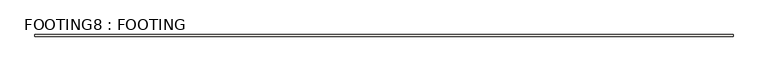
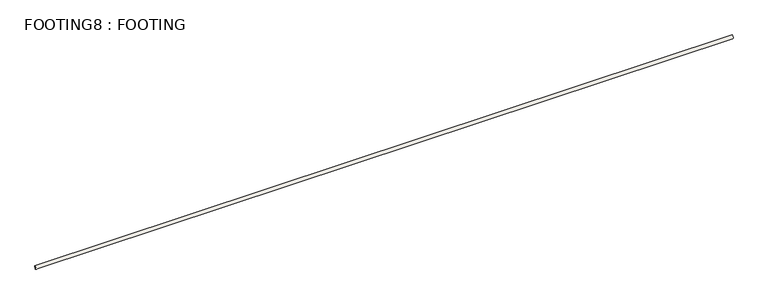
"""IFC4 building model written with IfcOpenShell, lengths in millimetres: wall geometry, FOOTING8 : FOOTING."""

from ifc_helpers import new_model, si_unit, point, frame, frame_2d, origin, place, context, project, spatial, polyline, circle_curve, trimmed, segment, composite_curve, outline, extrude, source, transform, mapped, element, save


def footing8_footing_714bea45(model_context):
    return source(origin(), model_context, "Body", "SweptSolid", [
        extrude(outline(composite_curve([segment(polyline([(2674.4503704, -19.05), (2674.4503704, -25.4), (2671.2753704, -25.4), (2671.2753704, -30.8992613)]), True, "CONTINUOUS"), segment(trimmed(circle_curve(frame_2d((2675.1308879, -25.5823441)), 6.5676955), [point((2671.2753704, -30.8992613))], [point((2674.4503704, -19.05))], False, "CARTESIAN"), True, "CONTINUOUS")], self_intersect=False)), frame((-597.1939032, 0.0, 0.0), z_axis=(1.0, 0.0, 0.0), x_axis=(0.0, 1.0, 0.0)), (0.0, 0.0, 1.0), 2476.5),
    ])


if __name__ == "__main__":
    model = new_model("IFC4")
    model_context = context("Model", 3, world=origin())
    ifc_project = project(units=[si_unit("LENGTHUNIT", "METRE", prefix="MILLI")], contexts=[model_context])
    site = spatial("IfcSite", under=ifc_project)
    building = spatial("IfcBuilding", under=site)
    placement = place(None, origin())
    footing8_footing_shape = footing8_footing_714bea45(model_context)
    element("IfcWall", 1, ObjectType="FOOTING8 : FOOTING", at=placement, inside=building, context=model_context, shape_type="MappedRepresentation", body=[
        mapped(footing8_footing_shape, transform((0.0, 0.0, 0.0), x_axis=(1.0, 0.0, 0.0), y_axis=(0.0, 1.0, 0.0), z_axis=(0.0, 0.0, 1.0))),
    ])
    save(model, "model.ifc")
